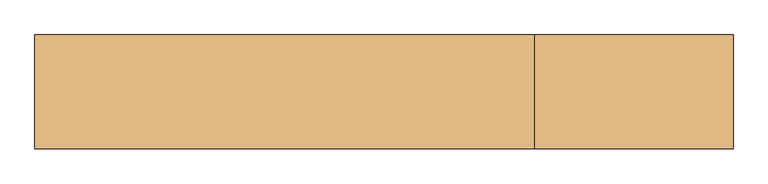
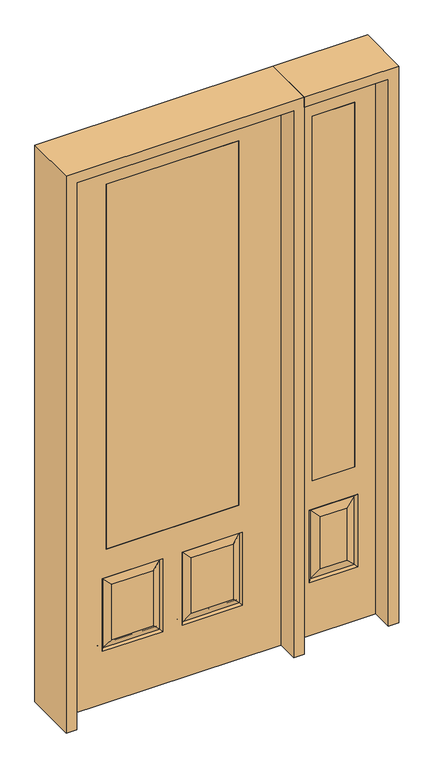
"""IFC4 building model written with IfcOpenShell, lengths in millimetres: door geometry."""

from ifc_helpers import new_model, si_unit, frame, origin, place, context, project, spatial, polyline, outline, extrude, faceted_brep, source, transform, mapped, element, save


def door_2acebd25(model_context):
    return source(origin(), model_context, "Body", "SolidModel", [
        extrude(outline(polyline([(590.55, -20.6375), (590.55, 20.6375), (768.35, 20.6375), (768.35, -20.6375), (590.55, -20.6375)])), frame((0.0, 0.0, 685.8), z_axis=(0.0, 0.0, 1.0), x_axis=(1.0, 0.0, 0.0)), (0.0, 0.0, 1.0), 1625.6),
        faceted_brep([(857.25, -20.6375, 0.0), (857.25, -20.6375, 2438.4), (501.65, -20.6375, 2438.4), (501.65, -20.6375, 0.0), (577.85, -20.6375, 234.95), (577.85, -20.6375, 558.8), (781.05, -20.6375, 558.8), (781.05, -20.6375, 234.95), (590.55, -20.6375, 685.8), (590.55, -20.6375, 2311.4), (768.35, -20.6375, 2311.4), (768.35, -20.6375, 685.8), (735.0125, -20.6375, 280.9875), (735.0125, -20.6375, 512.7625), (623.8875, -20.6375, 512.7625), (623.8875, -20.6375, 280.9875), (501.65, 20.6375, 0.0), (857.25, 20.6375, 0.0), (501.65, 20.6375, 2438.4), (857.25, 20.6375, 2438.4), (586.8302561, -11.6572439, 243.9302561), (772.0697439, -11.6572439, 243.9302561), (772.0697439, -11.6572439, 549.8197439), (586.8302561, -11.6572439, 549.8197439), (781.05, 20.6375, 234.95), (781.05, 20.6375, 558.8), (577.85, 20.6375, 558.8), (577.85, 20.6375, 234.95), (768.35, 20.6375, 685.8), (768.35, 20.6375, 2311.4), (590.55, 20.6375, 2311.4), (590.55, 20.6375, 685.8), (623.8875, 20.6375, 280.9875), (623.8875, 20.6375, 512.7625), (735.0125, 20.6375, 512.7625), (735.0125, 20.6375, 280.9875), (586.8302561, 11.6572439, 243.9302561), (772.0697439, 11.6572439, 243.9302561), (586.8302561, 11.6572439, 549.8197439), (772.0697439, 11.6572439, 549.8197439)], [[[0, 1, 2, 3], [4, 5, 6, 7], [8, 9, 10, 11]], [[12, 13, 14, 15]], [[3, 16, 17, 0]], [[2, 18, 16, 3]], [[0, 17, 19, 1]], [[20, 4, 7, 21]], [[7, 6, 22, 21]], [[6, 5, 23, 22]], [[20, 23, 5, 4]], [[21, 12, 15, 20]], [[15, 14, 23, 20]], [[22, 23, 14, 13]], [[21, 22, 13, 12]], [[17, 16, 18, 19], [24, 25, 26, 27], [28, 29, 30, 31]], [[32, 33, 34, 35]], [[24, 27, 36, 37]], [[27, 26, 38, 36]], [[39, 38, 26, 25]], [[37, 39, 25, 24]], [[36, 32, 35, 37]], [[35, 34, 39, 37]], [[34, 33, 38, 39]], [[36, 38, 33, 32]], [[1, 19, 18, 2]], [[8, 11, 28, 31]], [[11, 10, 29, 28]], [[31, 30, 9, 8]], [[30, 29, 10, 9]]]),
        faceted_brep([(279.4, 20.6375, 685.8), (279.4, -20.6375, 685.8), (279.4, -20.6375, 2311.4), (279.4, 20.6375, 2311.4), (-279.4, 20.6375, 685.8), (-279.4, -20.6375, 685.8), (-80.1727627, 20.6375, 273.8477627), (-256.3772373, 20.6375, 273.8477627), (-256.3772373, 20.6375, 520.4102373), (-80.1727627, 20.6375, 520.4102373), (256.3772373, 20.6375, 273.8477627), (80.1727627, 20.6375, 273.8477627), (80.1727627, 20.6375, 520.4102373), (256.3772373, 20.6375, 520.4102373), (-457.2, 20.6375, 2438.4), (457.2, 20.6375, 2438.4), (457.2, 20.6375, 0.0), (-457.2, 20.6375, 0.0), (-279.4, 20.6375, 2311.4), (-295.275, 20.6375, 234.95), (-41.275, 20.6375, 234.95), (-41.275, 20.6375, 559.308), (-295.275, 20.6375, 559.308), (41.275, 20.6375, 234.95), (295.275, 20.6375, 234.95), (295.275, 20.6375, 559.308), (41.275, 20.6375, 559.308), (-279.4, -20.6375, 2311.4), (80.1727627, -20.6375, 273.8477627), (256.3772373, -20.6375, 273.8477627), (256.3772373, -20.6375, 520.4102373), (80.1727627, -20.6375, 520.4102373), (-256.3772373, -20.6375, 273.8477627), (-80.1727627, -20.6375, 273.8477627), (-80.1727627, -20.6375, 520.4102373), (-256.3772373, -20.6375, 520.4102373), (457.2, -20.6375, 2438.4), (-457.2, -20.6375, 2438.4), (-457.2, -20.6375, 0.0), (457.2, -20.6375, 0.0), (295.275, -20.6375, 234.95), (41.275, -20.6375, 234.95), (41.275, -20.6375, 559.308), (295.275, -20.6375, 559.308), (-41.275, -20.6375, 234.95), (-295.275, -20.6375, 234.95), (-295.275, -20.6375, 559.308), (-41.275, -20.6375, 559.308), (-287.8714647, 11.4399763, 242.3535353), (-48.6785353, 11.4399763, 242.3535353), (-48.6785353, 11.4399763, 551.9044647), (-287.8714647, 11.4399763, 551.9044647), (48.6785353, 11.4399763, 242.3535353), (287.8714647, 11.4399763, 242.3535353), (287.8714647, 11.4399763, 551.9044647), (48.6785353, 11.4399763, 551.9044647), (287.8714647, -11.4399763, 242.3535353), (48.6785353, -11.4399763, 242.3535353), (48.6785353, -11.4399763, 551.9044647), (287.8714647, -11.4399763, 551.9044647), (-48.6785353, -11.4399763, 242.3535353), (-287.8714647, -11.4399763, 242.3535353), (-287.8714647, -11.4399763, 551.9044647), (-48.6785353, -11.4399763, 551.9044647)], [[[0, 1, 2, 3]], [[1, 0, 4, 5]], [[6, 7, 8, 9]], [[10, 11, 12, 13]], [[14, 15, 16, 17], [4, 0, 3, 18], [19, 20, 21, 22], [23, 24, 25, 26]], [[5, 4, 18, 27]], [[28, 29, 30, 31]], [[32, 33, 34, 35]], [[36, 37, 38, 39], [1, 5, 27, 2], [40, 41, 42, 43], [44, 45, 46, 47]], [[39, 38, 17, 16]], [[37, 14, 17, 38]], [[15, 36, 39, 16]], [[19, 48, 49, 20]], [[20, 49, 50, 21]], [[51, 22, 21, 50]], [[48, 19, 22, 51]], [[49, 48, 7, 6]], [[7, 48, 51, 8]], [[8, 51, 50, 9]], [[49, 6, 9, 50]], [[52, 53, 24, 23]], [[24, 53, 54, 25]], [[25, 54, 55, 26]], [[52, 23, 26, 55]], [[53, 52, 11, 10]], [[11, 52, 55, 12]], [[54, 13, 12, 55]], [[53, 10, 13, 54]], [[40, 56, 57, 41]], [[41, 57, 58, 42]], [[59, 43, 42, 58]], [[56, 40, 43, 59]], [[57, 56, 29, 28]], [[29, 56, 59, 30]], [[30, 59, 58, 31]], [[57, 28, 31, 58]], [[60, 61, 45, 44]], [[45, 61, 62, 46]], [[46, 62, 63, 47]], [[60, 44, 47, 63]], [[61, 60, 33, 32]], [[33, 60, 63, 34]], [[62, 35, 34, 63]], [[61, 32, 35, 62]], [[3, 2, 27, 18]], [[36, 15, 14, 37]]]),
        extrude(outline(polyline([(279.4, -20.6375), (-279.4, -20.6375), (-279.4, 20.6375), (279.4, 20.6375), (279.4, -20.6375)])), frame((0.0, 0.0, 685.8), z_axis=(0.0, 0.0, 1.0), x_axis=(1.0, 0.0, 0.0)), (0.0, 0.0, 1.0), 1625.6),
        extrude(outline(polyline([(2482.85, -501.65), (0.0, -501.65), (0.0, -457.2), (2438.4, -457.2), (2438.4, 457.2), (0.0, 457.2), (0.0, 501.65), (2482.85, 501.65), (2482.85, -501.65)])), frame((0.0, -114.3, 0.0), z_axis=(0.0, 1.0, 0.0), x_axis=(0.0, 0.0, 1.0)), (0.0, 0.0, 1.0), 228.6),
        extrude(outline(polyline([(0.0, 857.25), (0.0, 901.7), (2482.85, 901.7), (2482.85, 501.65), (2438.4, 501.65), (2438.4, 857.25), (0.0, 857.25)])), frame((0.0, -114.3, 0.0), z_axis=(0.0, 1.0, 0.0), x_axis=(0.0, 0.0, 1.0)), (0.0, 0.0, 1.0), 228.6),
    ])


if __name__ == "__main__":
    model = new_model("IFC4")
    model_context = context("Model", 3, world=origin())
    ifc_project = project(units=[si_unit("LENGTHUNIT", "METRE", prefix="MILLI")], contexts=[model_context])
    site = spatial("IfcSite", under=ifc_project)
    building = spatial("IfcBuilding", under=site)
    placement = place(None, origin())
    door_shape = door_2acebd25(model_context)
    element("IfcDoor", 1, at=placement, inside=building, context=model_context, shape_type="MappedRepresentation", body=[
        mapped(door_shape, transform((0.0, 0.0, 0.0), x_axis=(1.0, 0.0, 0.0), y_axis=(0.0, 1.0, 0.0), z_axis=(0.0, 0.0, 1.0))),
    ])
    save(model, "model.ifc")
